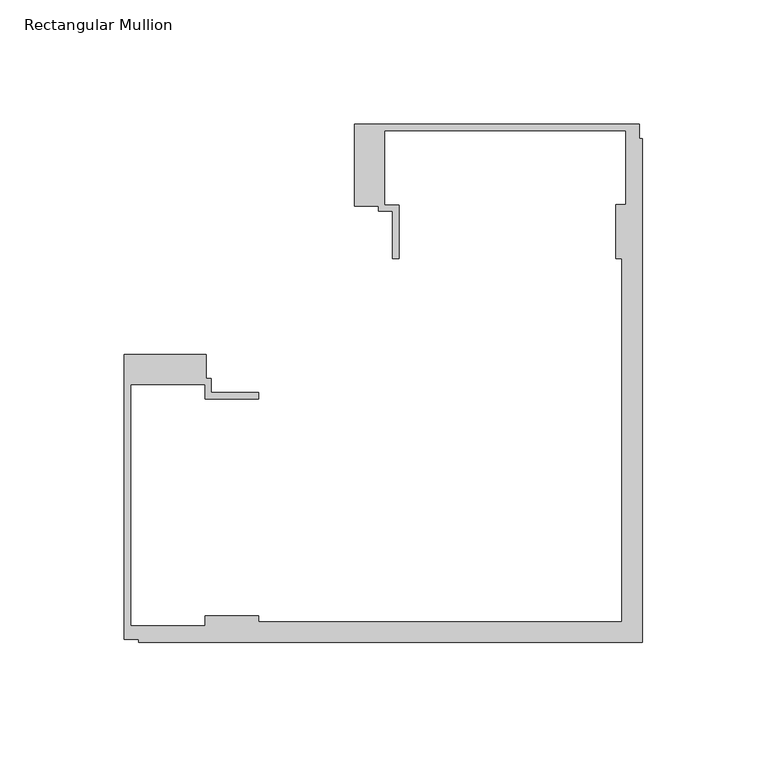
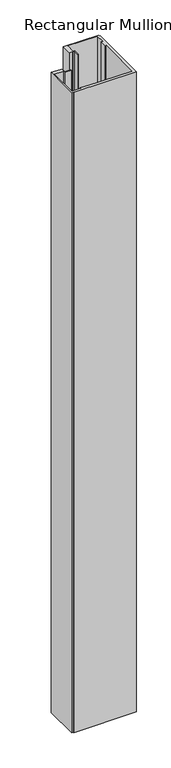
"""IFC4 building model written with IfcOpenShell, lengths in millimetres: member geometry, Rectangular Mullion."""

from ifc_helpers import new_model, si_unit, frame, origin, place, context, project, spatial, polyline, outline, extrude, source, transform, mapped, element, save


def rectangular_mullion_3e2951dd(model_context):
    return source(origin(), model_context, "Body", "SweptSolid", [
        extrude(outline(polyline([(-175.4039085, -14.9961656), (-175.4039085, -24.4862839), (-173.4039085, -24.4862839), (-173.4039085, -30.2961656), (-154.4039085, -30.2961656), (-154.4039085, -32.7961656), (-175.9039085, -32.7961656), (-175.9039085, -26.9961656), (-205.9039085, -26.9961656), (-205.9039085, -123.9961596), (-175.9039085, -123.9961596), (-175.9039085, -119.9961596), (-154.4039085, -119.9961596), (-154.4039085, -122.4961596), (-8.2039451, -122.4961596), (-8.2039451, 23.7038038), (-10.7039451, 23.7038038), (-10.7039451, 45.308114), (-6.7039451, 45.308114), (-6.7039451, 75.2038038), (-103.703939, 75.2038038), (-103.703939, 45.2038038), (-97.903939, 45.2038038), (-97.903939, 23.7038038), (-100.403939, 23.7038038), (-100.403939, 42.7038038), (-106.203939, 42.7038038), (-106.203939, 44.7038038), (-115.703939, 44.7038038), (-115.703939, 77.7038038), (-1.2039451, 77.7038038), (-1.2039451, 71.9884533), (0.0, 71.9884533), (0.0, -130.7001047), (-202.7039347, -130.7001047), (-202.7039347, -129.4961596), (-208.4039085, -129.4961596), (-208.4039085, -14.9961656), (-175.4039085, -14.9961656)])), frame((0.0, 0.0, -2200.0), z_axis=(0.0, 0.0, 1.0), x_axis=(1.0, 0.0, 0.0)), (0.0, 0.0, 1.0), 2200.0),
    ])


if __name__ == "__main__":
    model = new_model("IFC4")
    model_context = context("Model", 3, world=origin())
    ifc_project = project(units=[si_unit("LENGTHUNIT", "METRE", prefix="MILLI")], contexts=[model_context])
    site = spatial("IfcSite", under=ifc_project)
    building = spatial("IfcBuilding", under=site)
    placement = place(None, origin())
    rectangular_mullion_shape = rectangular_mullion_3e2951dd(model_context)
    element("IfcMember", 1, ObjectType="Rectangular Mullion", at=placement, inside=building, context=model_context, shape_type="MappedRepresentation", body=[
        mapped(rectangular_mullion_shape, transform((0.0, 0.0, 0.0), x_axis=(1.0, 0.0, 0.0), y_axis=(0.0, 1.0, 0.0), z_axis=(0.0, 0.0, 1.0))),
    ])
    save(model, "model.ifc")
